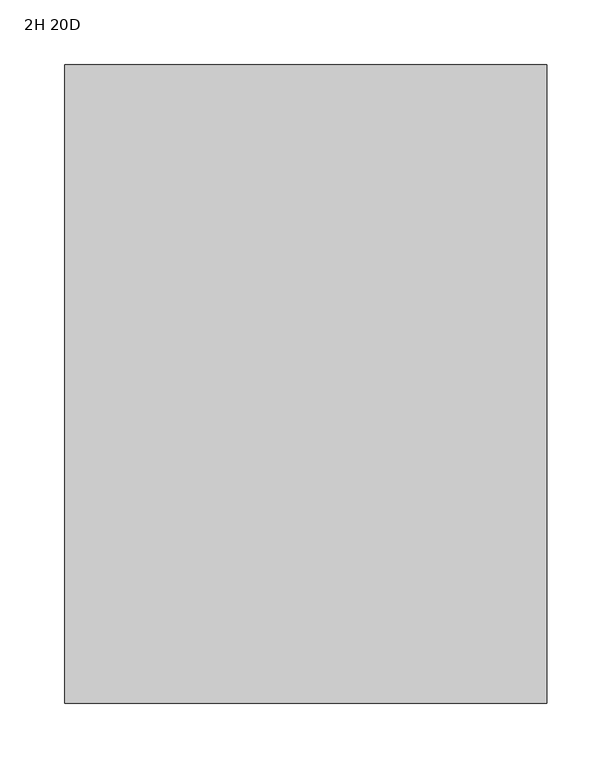
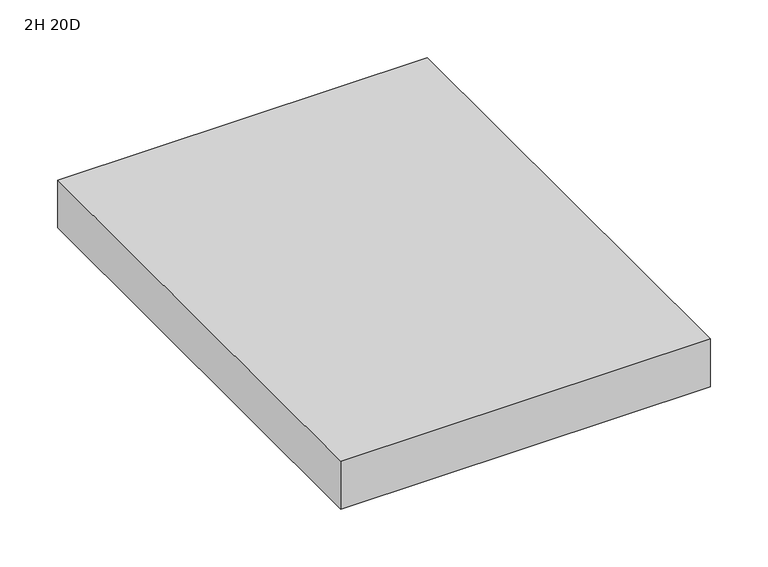
"""IFC4 building model written with IfcOpenShell, lengths in millimetres: furniture geometry, 2H 20D."""

from ifc_helpers import new_model, si_unit, frame, origin, place, context, project, spatial, polyline, outline, extrude, source, transform, mapped, element, save


def furniture_2h_20d_8ef79870(model_context):
    return source(origin(), model_context, "Body", "SweptSolid", [
        extrude(outline(polyline([(-288.925, 440.563), (-288.925, -51.562), (-660.4, -51.562), (-660.4, 440.563), (-288.925, 440.563)])), frame((0.0, 0.0, 543.11042), z_axis=(0.0, 0.0, 1.0), x_axis=(1.0, 0.0, 0.0)), (0.0, 0.0, 1.0), 50.8),
    ])


if __name__ == "__main__":
    model = new_model("IFC4")
    model_context = context("Model", 3, world=origin())
    ifc_project = project(units=[si_unit("LENGTHUNIT", "METRE", prefix="MILLI")], contexts=[model_context])
    site = spatial("IfcSite", under=ifc_project)
    building = spatial("IfcBuilding", under=site)
    placement = place(None, origin())
    furniture_2h_20d_shape = furniture_2h_20d_8ef79870(model_context)
    element("IfcFurniture", 1, ObjectType="2H 20D", at=placement, inside=building, context=model_context, shape_type="MappedRepresentation", body=[
        mapped(furniture_2h_20d_shape, transform((0.0, 0.0, 0.0), x_axis=(1.0, 0.0, 0.0), y_axis=(0.0, 1.0, 0.0), z_axis=(0.0, 0.0, 1.0))),
    ])
    save(model, "model.ifc")
